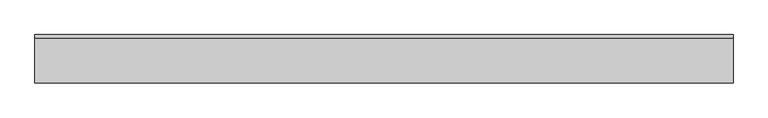
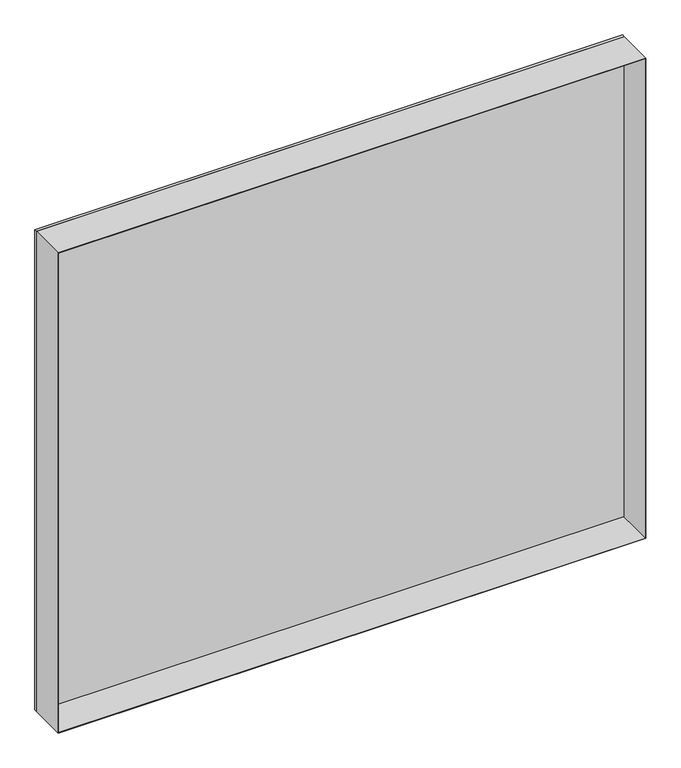
"""IFC4 building model written with IfcOpenShell, lengths in millimetres: plate geometry."""

from ifc_helpers import new_model, si_unit, frame, origin, origin_with_axes, place, context, project, spatial, polyline, outline, extrude, source, transform, mapped, element, save


def plate_73008978(model_context):
    return source(origin(), model_context, "Body", "SweptSolid", [
        extrude(outline(polyline([(932.75, -539.6875001), (0.0, -539.6875001), (0.0, 539.6875001), (932.75, 539.6875001), (932.75, -539.6875001)]), holes=[polyline([(931.75, -538.6875001), (931.75, 538.6875001), (1.0, 538.6875001), (1.0, -538.6875001), (931.75, -538.6875001)])]), frame((0.0, -37.2, 0.0), z_axis=(0.0, 1.0, 0.0), x_axis=(0.0, 0.0, 1.0)), (0.0, 0.0, 1.0), 68.4),
        extrude(outline(polyline([(539.6875001, 31.2), (-539.6875001, 31.2), (-539.6875001, 37.2), (539.6875001, 37.2), (539.6875001, 31.2)])), origin_with_axes(), (0.0, 0.0, 1.0), 932.75),
    ])


if __name__ == "__main__":
    model = new_model("IFC4")
    model_context = context("Model", 3, world=origin())
    ifc_project = project(units=[si_unit("LENGTHUNIT", "METRE", prefix="MILLI")], contexts=[model_context])
    site = spatial("IfcSite", under=ifc_project)
    building = spatial("IfcBuilding", under=site)
    placement = place(None, origin())
    plate_shape = plate_73008978(model_context)
    element("IfcPlate", 1, at=placement, inside=building, context=model_context, shape_type="MappedRepresentation", body=[
        mapped(plate_shape, transform((0.0, 0.0, 0.0), x_axis=(1.0, 0.0, 0.0), y_axis=(0.0, 1.0, 0.0), z_axis=(0.0, 0.0, 1.0))),
    ])
    save(model, "model.ifc")
